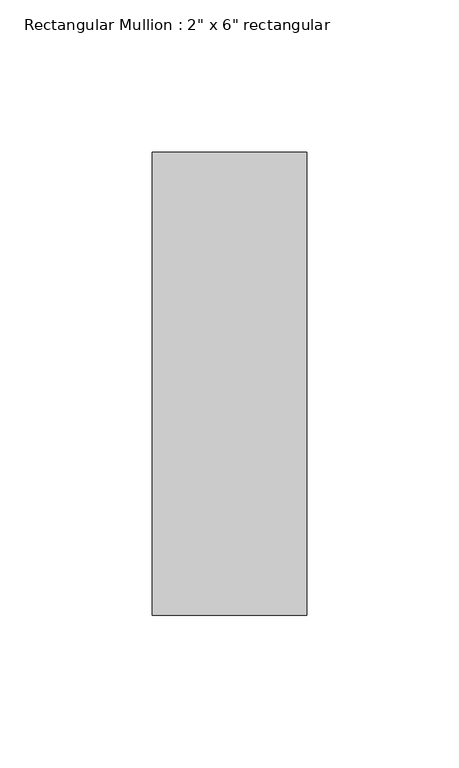
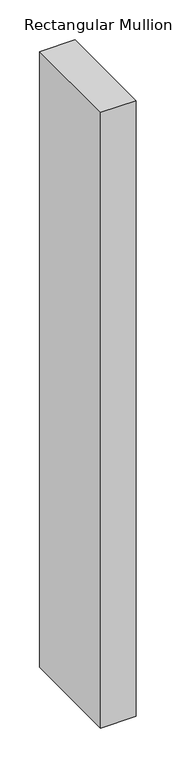
"""IFC4 building model written with IfcOpenShell, lengths in millimetres: member geometry."""

from ifc_helpers import new_model, si_unit, frame, origin, place, context, project, spatial, polyline, outline, extrude, source, transform, mapped, element, save


def member_fce92c77(model_context):
    return source(origin(), model_context, "Body", "SweptSolid", [
        extrude(outline(polyline([(0.0, 76.2), (0.0, -76.2), (-50.8, -76.2), (-50.8, 76.2), (0.0, 76.2)])), frame((0.0, 0.0, -939.8), z_axis=(0.0, 0.0, 1.0), x_axis=(1.0, 0.0, 0.0)), (0.0, 0.0, 1.0), 939.8),
    ])


if __name__ == "__main__":
    model = new_model("IFC4")
    model_context = context("Model", 3, world=origin())
    ifc_project = project(units=[si_unit("LENGTHUNIT", "METRE", prefix="MILLI")], contexts=[model_context])
    site = spatial("IfcSite", under=ifc_project)
    building = spatial("IfcBuilding", under=site)
    placement = place(None, origin())
    member_shape = member_fce92c77(model_context)
    element("IfcMember", 1, ObjectType="Rectangular Mullion : 2\" x 6\" rectangular", at=placement, inside=building, context=model_context, shape_type="MappedRepresentation", body=[
        mapped(member_shape, transform((0.0, 0.0, 0.0), x_axis=(1.0, 0.0, 0.0), y_axis=(0.0, 1.0, 0.0), z_axis=(0.0, 0.0, 1.0))),
    ])
    save(model, "model.ifc")
